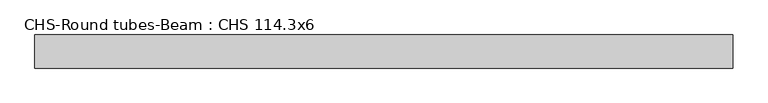
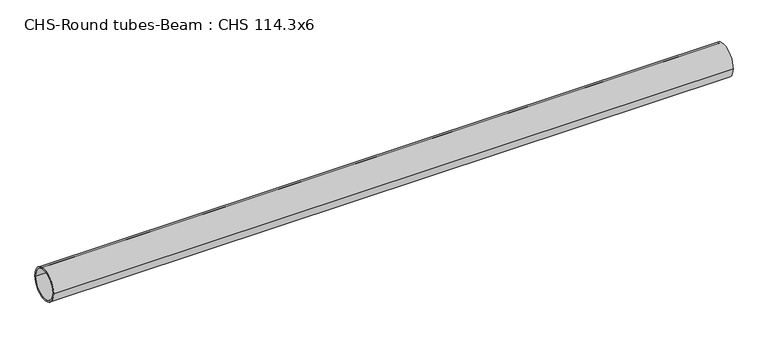
"""IFC4 building model written with IfcOpenShell, lengths in millimetres: beam geometry, CHS-Round tubes-Beam : CHS 114.3x6."""

from ifc_helpers import new_model, si_unit, point, frame, origin, origin_2d, place, context, project, spatial, circle_curve, trimmed, segment, composite_curve, outline, extrude, source, transform, mapped, element, save


def chs_round_tubes_beam_chs_114_3x6_efa6155d(model_context):
    return source(origin(), model_context, "Body", "SweptSolid", [
        extrude(outline(composite_curve([segment(trimmed(circle_curve(origin_2d(), 57.15), [point((57.15, 0.0))], [point((-57.15, 0.0))], False, "CARTESIAN"), True, "CONTINUOUS"), segment(trimmed(circle_curve(origin_2d(), 57.15), [point((-57.15, 0.0))], [point((57.15, 0.0))], False, "CARTESIAN"), True, "CONTINUOUS")], self_intersect=False), holes=[composite_curve([segment(trimmed(circle_curve(origin_2d(), 51.15), [point((51.15, 0.0))], [point((-51.15, 0.0))], True, "CARTESIAN"), True, "CONTINUOUS"), segment(trimmed(circle_curve(origin_2d(), 51.15), [point((-51.15, 0.0))], [point((51.15, 0.0))], True, "CARTESIAN"), True, "CONTINUOUS")], self_intersect=False)]), frame((-1170.7862804, 0.0, 0.0), z_axis=(1.0, 0.0, 0.0), x_axis=(0.0, 1.0, 0.0)), (0.0, 0.0, 1.0), 2407.3853143),
    ])


if __name__ == "__main__":
    model = new_model("IFC4")
    model_context = context("Model", 3, world=origin())
    ifc_project = project(units=[si_unit("LENGTHUNIT", "METRE", prefix="MILLI")], contexts=[model_context])
    site = spatial("IfcSite", under=ifc_project)
    building = spatial("IfcBuilding", under=site)
    placement = place(None, origin())
    chs_round_tubes_beam_chs_114_3x6_shape = chs_round_tubes_beam_chs_114_3x6_efa6155d(model_context)
    element("IfcBeam", 1, ObjectType="CHS-Round tubes-Beam : CHS 114.3x6", at=placement, inside=building, context=model_context, shape_type="MappedRepresentation", body=[
        mapped(chs_round_tubes_beam_chs_114_3x6_shape, transform((0.0, 0.0, 0.0), x_axis=(1.0, 0.0, 0.0), y_axis=(0.0, 1.0, 0.0), z_axis=(0.0, 0.0, 1.0))),
    ])
    save(model, "model.ifc")
